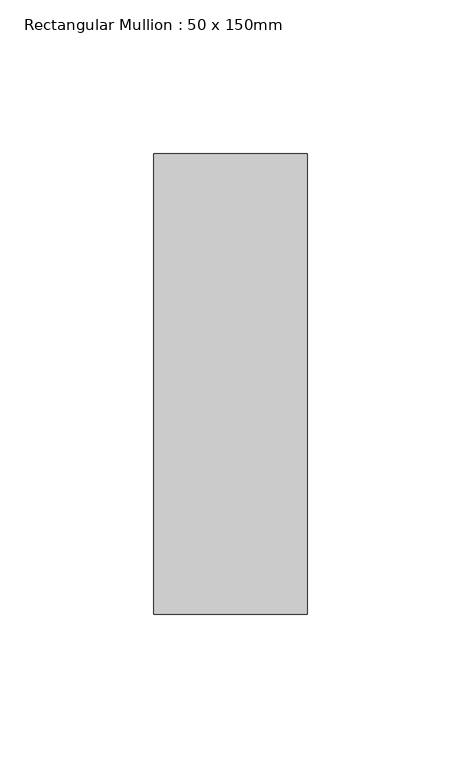
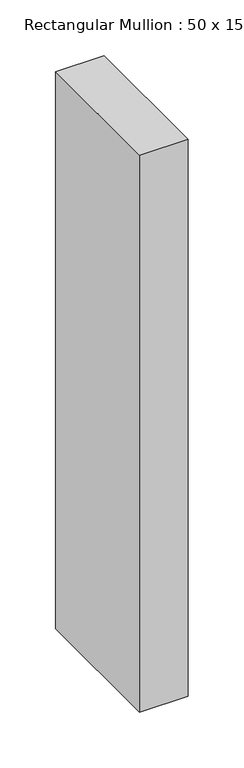
"""IFC4 building model written with IfcOpenShell, lengths in millimetres: member geometry, Rectangular Mullion : 50 x 150mm."""

from ifc_helpers import new_model, si_unit, frame, origin, place, context, project, spatial, polyline, outline, extrude, source, transform, mapped, element, save


def rectangular_mullion_50_x_150mm_6af4b981(model_context):
    return source(origin(), model_context, "Body", "SweptSolid", [
        extrude(outline(polyline([(0.0, 75.0), (0.0, -75.0), (-50.0, -75.0), (-50.0, 75.0), (0.0, 75.0)])), frame((0.0, 0.0, -607.4833333), z_axis=(0.0, 0.0, 1.0), x_axis=(1.0, 0.0, 0.0)), (0.0, 0.0, 1.0), 607.4833333),
    ])


if __name__ == "__main__":
    model = new_model("IFC4")
    model_context = context("Model", 3, world=origin())
    ifc_project = project(units=[si_unit("LENGTHUNIT", "METRE", prefix="MILLI")], contexts=[model_context])
    site = spatial("IfcSite", under=ifc_project)
    building = spatial("IfcBuilding", under=site)
    placement = place(None, origin())
    rectangular_mullion_50_x_150mm_shape = rectangular_mullion_50_x_150mm_6af4b981(model_context)
    element("IfcMember", 1, ObjectType="Rectangular Mullion : 50 x 150mm", at=placement, inside=building, context=model_context, shape_type="MappedRepresentation", body=[
        mapped(rectangular_mullion_50_x_150mm_shape, transform((0.0, 0.0, 0.0), x_axis=(1.0, 0.0, 0.0), y_axis=(0.0, 1.0, 0.0), z_axis=(0.0, 0.0, 1.0))),
    ])
    save(model, "model.ifc")
